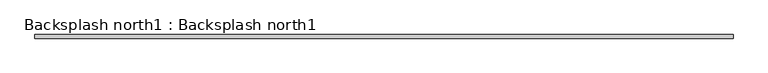
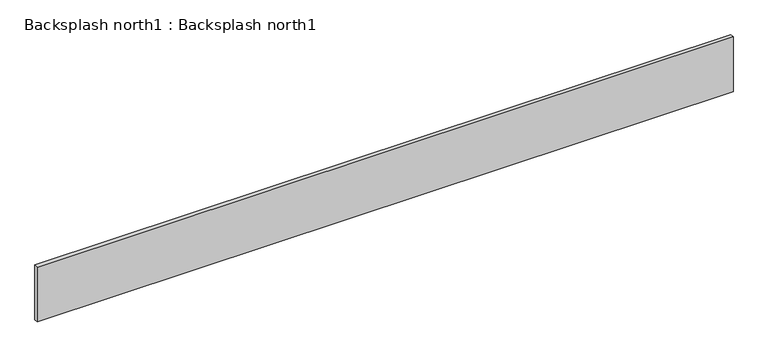
"""IFC4 building model written with IfcOpenShell, lengths in millimetres: proxy geometry, Backsplash north1 : Backsplash north1."""

from ifc_helpers import new_model, si_unit, frame, origin, place, context, project, spatial, polyline, outline, extrude, source, transform, mapped, element, save


def backsplash_north1_backsplash_north1_31106a6f(model_context):
    return source(origin(), model_context, "Body", "SweptSolid", [
        extrude(outline(polyline([(-5621.4448603, 10234.8501285), (-4402.2448603, 10234.8501285), (-4402.2448603, 10228.5001285), (-5621.4448603, 10228.5001285), (-5621.4448603, 10234.8501285)])), frame((0.0, 0.0, 3835.4), z_axis=(0.0, 0.0, 1.0), x_axis=(1.0, 0.0, 0.0)), (0.0, 0.0, 1.0), 101.6),
    ])


if __name__ == "__main__":
    model = new_model("IFC4")
    model_context = context("Model", 3, world=origin())
    ifc_project = project(units=[si_unit("LENGTHUNIT", "METRE", prefix="MILLI")], contexts=[model_context])
    site = spatial("IfcSite", under=ifc_project)
    building = spatial("IfcBuilding", under=site)
    placement = place(None, origin())
    backsplash_north1_backsplash_north1_shape = backsplash_north1_backsplash_north1_31106a6f(model_context)
    element("IfcBuildingElementProxy", 1, Name="Backsplash north1 : Backsplash north1", ObjectType="Backsplash north1 : Backsplash north1", at=placement, inside=building, context=model_context, shape_type="MappedRepresentation", body=[
        mapped(backsplash_north1_backsplash_north1_shape, transform((0.0, 0.0, 0.0), x_axis=(1.0, 0.0, 0.0), y_axis=(0.0, 1.0, 0.0), z_axis=(0.0, 0.0, 1.0))),
    ])
    save(model, "model.ifc")
